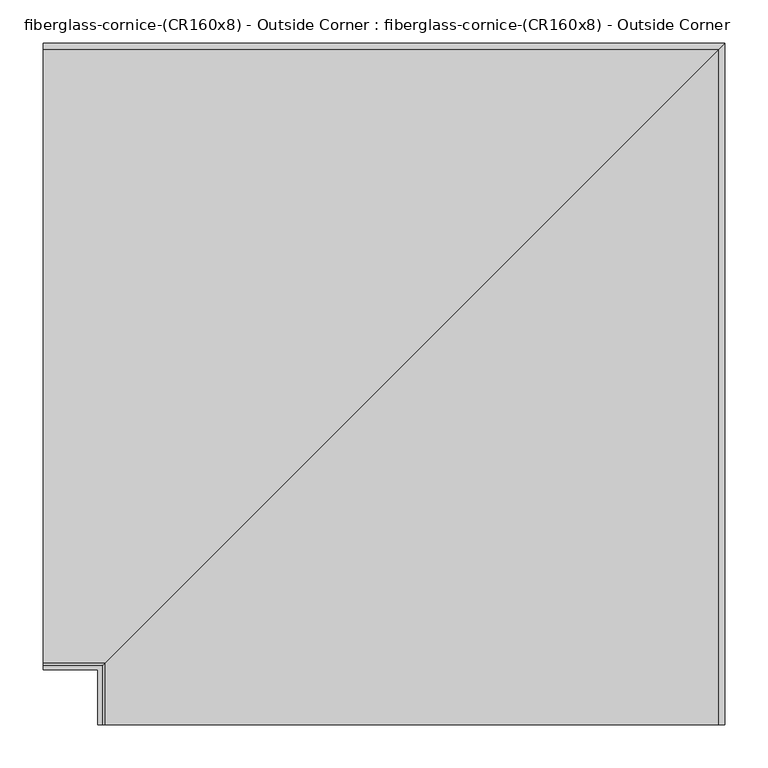
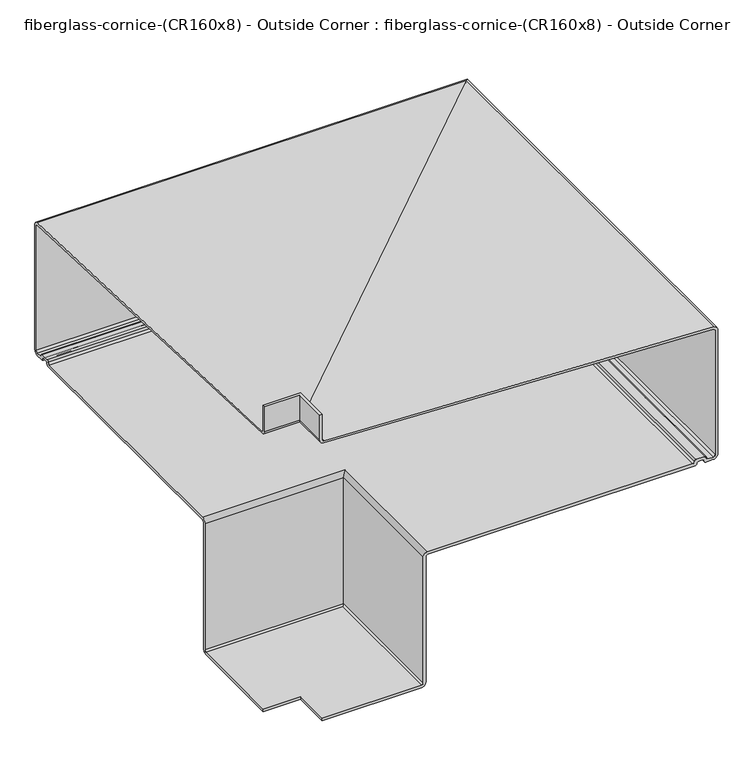
"""IFC4 building model written with IfcOpenShell, lengths in millimetres: furniture geometry, fiberglass-cornice-(CR160x8) - Outside Corner : fiberglass-cornice-(CR160x8) - Outside Corner."""

import ifcopenshell
import ifcopenshell.guid

model = None  # the IFC model being written
_history = None  # IfcOwnerHistory: only IFC2X3 demands one
_inside = {}  # id of a spatial element -> (the spatial element, [elements in it])
_under = {}  # id of a project, library or spatial element -> (it, [spatial elements below it])
_declared = {}  # id of a project -> (the project, [libraries it declares])
_typed = {}  # id of a type object -> (the type object, [elements of that type])
_made_of = {}  # id of a material, layer set ... -> (it, [elements and type objects made of it])


def new_model(schema):
    """Start an empty IFC model of exactly this schema.

    Asked for "IFC4X3", IfcOpenShell would pick the latest addendum, in which some entities
    have other attributes; the version numbers below select the first issue.
    IFC2X3 requires an IfcOwnerHistory on every rooted entity: one is made here for all.
    """
    global model, _history
    if schema == "IFC4X3":
        model = ifcopenshell.file(schema_version=(4, 3, 0, 0))
    else:
        model = ifcopenshell.file(schema=schema)
    _inside.clear()
    _under.clear()
    _declared.clear()
    _typed.clear()
    _made_of.clear()
    _history = None
    if model.schema == "IFC2X3":
        org = make("IfcOrganization", Name="unknown")
        user = make(
            "IfcPersonAndOrganization",
            ThePerson=make("IfcPerson", FamilyName="unknown"),
            TheOrganization=org,
        )
        app = make(
            "IfcApplication",
            ApplicationDeveloper=org,
            Version="unknown",
            ApplicationFullName="unknown",
            ApplicationIdentifier="unknown",
        )
        _history = make(
            "IfcOwnerHistory",
            OwningUser=user,
            OwningApplication=app,
            ChangeAction="ADDED",
            CreationDate=0,
        )
    return model


def make(cls, **values):
    """One entity of the class cls with the attributes given. An attribute that is None is left unset."""
    return model.create_entity(
        cls, **{name: value for name, value in values.items() if value is not None}
    )


def rooted(cls, **values):
    """An entity with a GlobalId (a new one), such as an element, a storey or a relation."""
    return make(cls, GlobalId=ifcopenshell.guid.new(), OwnerHistory=_history, **values)


def si_unit(unit_type, name, prefix=None):
    """IfcSIUnit, for example si_unit("LENGTHUNIT", "METRE", prefix="MILLI")."""
    return make("IfcSIUnit", UnitType=unit_type, Prefix=prefix, Name=name)


def assignment(units):
    """IfcUnitAssignment: the units of a project."""
    return None if units is None else make("IfcUnitAssignment", Units=units)


def point(xyz):
    """IfcCartesianPoint."""
    return None if xyz is None else make("IfcCartesianPoint", Coordinates=xyz)


def direction(xyz):
    """IfcDirection."""
    return None if xyz is None else make("IfcDirection", DirectionRatios=xyz)


def frame(location, z_axis=None, x_axis=None):
    """IfcAxis2Placement3D, a coordinate frame: its origin and axes. An axis left out is left unset."""
    return make(
        "IfcAxis2Placement3D",
        Location=point(location),
        Axis=direction(z_axis),
        RefDirection=direction(x_axis),
    )


def origin():
    """The frame at (0, 0, 0) with its axes left unset."""
    return frame((0.0, 0.0, 0.0))


def place(relative_to, where):
    """IfcLocalPlacement: puts the frame where relative to a parent placement (None: the world)."""
    return make(
        "IfcLocalPlacement", PlacementRelTo=relative_to, RelativePlacement=where
    )


def context(
    kind, dimensions, precision=None, world=None, true_north=None, identifier=None
):
    """IfcGeometricRepresentationContext, for example the 3D "Model" context."""
    return make(
        "IfcGeometricRepresentationContext",
        ContextIdentifier=identifier,
        ContextType=kind,
        CoordinateSpaceDimension=dimensions,
        Precision=precision,
        WorldCoordinateSystem=world,
        TrueNorth=true_north,
    )


def project(units=None, contexts=None):
    """IfcProject with its units and contexts."""
    return rooted(
        "IfcProject",
        Name="project",
        RepresentationContexts=contexts,
        UnitsInContext=assignment(units),
    )


def spatial(cls, under=None, at=None, **own):
    """A site, building, storey or space (cls), placed at a placement, below another one or the project."""
    s = rooted(cls, ObjectPlacement=at, **own)
    if under is not None:
        _under.setdefault(under.id(), (under, []))[1].append(s)
    return s


def polyline(points):
    """IfcPolyline through the points."""
    return make("IfcPolyline", Points=[point(p) for p in points])


def circle_curve(where, radius):
    """IfcCircle in the frame where."""
    return make("IfcCircle", Position=where, Radius=radius)


def ellipse_curve(where, semi_axis1, semi_axis2):
    """IfcEllipse in the frame where."""
    return make(
        "IfcEllipse", Position=where, SemiAxis1=semi_axis1, SemiAxis2=semi_axis2
    )


def shape(context_of_items, identifier, shape_type, items):
    """IfcShapeRepresentation: the items that make up one representation, for example the "Body"."""
    return make(
        "IfcShapeRepresentation",
        ContextOfItems=context_of_items,
        RepresentationIdentifier=identifier,
        RepresentationType=shape_type,
        Items=items,
    )


def source(mapping_origin, context_of_items, identifier, shape_type, items):
    """IfcRepresentationMap: a shape defined once, which mapped items show again and again."""
    return make(
        "IfcRepresentationMap",
        MappingOrigin=mapping_origin,
        MappedRepresentation=shape(context_of_items, identifier, shape_type, items),
    )


def transform(
    local_origin,
    x_axis=None,
    y_axis=None,
    z_axis=None,
    scale=None,
    scale2=None,
    scale3=None,
    uniform=True,
):
    """IfcCartesianTransformationOperator3D, or its non-uniform kind. x_axis, y_axis, z_axis: its Axis1, 2, 3."""
    if uniform:
        return make(
            "IfcCartesianTransformationOperator3D",
            Axis1=direction(x_axis),
            Axis2=direction(y_axis),
            LocalOrigin=point(local_origin),
            Scale=scale,
            Axis3=direction(z_axis),
        )
    return make(
        "IfcCartesianTransformationOperator3DnonUniform",
        Axis1=direction(x_axis),
        Axis2=direction(y_axis),
        LocalOrigin=point(local_origin),
        Scale=scale,
        Axis3=direction(z_axis),
        Scale2=scale2,
        Scale3=scale3,
    )


def mapped(mapping_source, mapping_target):
    """IfcMappedItem: shows the shape of a source again, moved by a transform."""
    return make(
        "IfcMappedItem", MappingSource=mapping_source, MappingTarget=mapping_target
    )


def made_of(thing, what):
    """Note that an element or type object is made of a material, layer set ...; save() writes the relation."""
    if what is not None:
        _made_of.setdefault(what.id(), (what, []))[1].append(thing)
    return thing


def element(
    cls,
    number,
    at=None,
    inside=None,
    cuts=None,
    type_object=None,
    material=None,
    context=None,
    identifier="Body",
    shape_type=None,
    held_by="IfcProductDefinitionShape",
    body=None,
    shapes=None,
    **own,
):
    """One element of the class cls, such as IfcWall. Its Tag is "e" and its number.

    at: its placement. inside: the storey or other place that contains it. cuts: it is an
    opening in that element (IfcRelVoidsElement). A single representation is given by context,
    identifier, shape_type and body (its items); several are given by shapes. held_by: the class
    of the entity that holds the representations. save() writes the other relations.
    """
    e = rooted(cls, Tag="e%d" % number, ObjectPlacement=at, **own)
    if body is not None:
        shapes = [shape(context, identifier, shape_type, body)]
    if shapes is not None:
        e.Representation = make(held_by, Representations=shapes)
    if inside is not None:
        _inside.setdefault(inside.id(), (inside, []))[1].append(e)
    if cuts is not None:
        rooted(
            "IfcRelVoidsElement", RelatingBuildingElement=cuts, RelatedOpeningElement=e
        )
    if type_object is not None:
        _typed.setdefault(type_object.id(), (type_object, []))[1].append(e)
    return made_of(e, material)


def aggregate(whole, parts):
    """IfcRelAggregates: a whole, such as a stair, and the parts it consists of."""
    return rooted("IfcRelAggregates", RelatingObject=whole, RelatedObjects=parts)


def save(model, path):
    """Write the relations noted so far, then the file.

    IfcRelAggregates (storeys below a building ...), IfcRelContainedInSpatialStructure (elements
    in a storey), IfcRelDefinesByType, IfcRelAssociatesMaterial and IfcRelDeclares: one each for
    every whole, place, type object, material and project.
    """
    for whole, parts in _under.values():
        aggregate(whole, parts)
    for where, things in _inside.values():
        rooted(
            "IfcRelContainedInSpatialStructure",
            RelatedElements=things,
            RelatingStructure=where,
        )
    for kind, things in _typed.values():
        rooted("IfcRelDefinesByType", RelatedObjects=things, RelatingType=kind)
    for what, things in _made_of.values():
        rooted("IfcRelAssociatesMaterial", RelatedObjects=things, RelatingMaterial=what)
    for by, libraries in _declared.values():
        rooted("IfcRelDeclares", RelatingContext=by, RelatedDefinitions=libraries)
    model.write(path)


def plane_surface(at):
    """IfcPlane: the flat surface through the origin of the frame at, square to its z axis."""
    return make("IfcPlane", Position=at)


def cylinder_surface(at, radius):
    """IfcCylindricalSurface: all points at the distance radius from the z axis of the frame at."""
    return make("IfcCylindricalSurface", Position=at, Radius=radius)


def revolved_surface(curve, axis_point, axis_direction):
    """IfcSurfaceOfRevolution: the curve turned about the line through axis_point along axis_direction."""
    return make(
        "IfcSurfaceOfRevolution",
        SweptCurve=make("IfcArbitraryOpenProfileDef", ProfileType="CURVE", Curve=curve),
        AxisPosition=make("IfcAxis1Placement", Location=point(axis_point), Axis=direction(axis_direction)),
    )


def advanced_brep(points, edges, surfaces, faces):
    """IfcAdvancedBrep: a solid bounded by faces that lie on surfaces and meet in shared edges.

    An edge is (start, end): straight between two places in points (the first is 0);
    or (start, end, curve); or (start, end, curve, False) where it runs against its curve.
    A face is (place in surfaces, loops), or (place, loops, False) where it looks against
    its surface's normal. A loop lists edges by number (the first is 1), with a minus sign
    where the edge is run from its end to its start. The first loop is the outer one.
    """
    corners = [point(p) for p in points]
    vertices = [make("IfcVertexPoint", VertexGeometry=c) for c in corners]
    made = []
    for start, end, *more in edges:
        made.append(
            make(
                "IfcEdgeCurve",
                EdgeStart=vertices[start],
                EdgeEnd=vertices[end],
                EdgeGeometry=more[0] if more else make("IfcPolyline", Points=[corners[start], corners[end]]),
                SameSense=more[1] if len(more) > 1 else True,
            )
        )
    hull = []
    for where, loops, *sense in faces:
        bounds = []
        for j, loop in enumerate(loops):
            ring = [make("IfcOrientedEdge", EdgeElement=made[abs(k) - 1], Orientation=k > 0) for k in loop]
            bounds.append(
                make(
                    "IfcFaceOuterBound" if j == 0 else "IfcFaceBound",
                    Bound=make("IfcEdgeLoop", EdgeList=ring),
                    Orientation=True,
                )
            )
        hull.append(make("IfcAdvancedFace", Bounds=bounds, FaceSurface=surfaces[where], SameSense=sense[0] if sense else True))
    return make("IfcAdvancedBrep", Outer=make("IfcClosedShell", CfsFaces=hull))


def fiberglass_cornice_cr160x8_outside_corner_fiberglass_cornice_fb86f3b4(model_context):
    return source(origin(), model_context, "Body", "AdvancedBrep", [
        advanced_brep(
        [(-196.9488213, 106.3619161, 330.1999904), (-196.9488213, 106.3619161, 281.8131149), (-196.9488213, 109.4047391, 278.7702919), (-196.9488213, 821.0673586, 249.1170882), (-196.9488213, 828.6744161, 241.1864628), (-196.9488213, 828.6744161, 1.0462879), (-196.9488213, 820.7369161, -6.8912121), (-196.9488213, 806.6449307, -6.8912121), (-196.9488213, 803.4699307, -3.7162111), (-196.9488213, 800.2658425, -0.5121219), (-196.9488213, 793.8008809, -0.5121219), (-196.9488213, 790.5967925, -3.7162112), (-196.9488213, 787.4217925, -6.8912121), (-196.9488213, 298.572677, -6.8912121), (-196.9488213, 295.3976771, -10.0662121), (-196.9488213, 295.3976771, -252.8939472), (-196.9488213, 287.4601771, -260.8314472), (-196.9488213, 106.392854, -260.8314472), (-196.9488213, 106.392854, -256.0689472), (-196.9488213, 287.4601771, -256.0689472), (-196.9488213, 290.6351771, -252.8939472), (-196.9488213, 290.6351771, -10.0662097), (-196.9488213, 298.572677, -2.1287097), (-196.9488213, 782.6592925, -2.1287097), (-196.9488213, 785.8342925, 1.0462903), (-196.9488213, 789.0383803, 4.2503781), (-196.9488213, 805.0574307, 4.2503781), (-196.9488213, 808.2324307, 1.0462886), (-196.9488213, 811.4074307, -2.1287108), (-196.9488213, 820.7369174, -2.1287108), (-196.9488213, 823.9119161, 1.0462879), (-196.9488213, 823.9119161, 241.1864694), (-196.9488213, 820.7338132, 244.3645723), (-196.9488213, 108.2783094, 275.2022319), (-196.9488213, 101.6, 282.1758557), (-196.9488213, 101.6, 330.1999904), (-128.5876865, 38.0007813, 330.1999904), (-133.3496026, 38.0007813, 330.1999904), (-133.3496026, 38.0007813, 282.1758557), (-126.6712932, 38.0007813, 275.2022319), (585.7842106, 38.0007813, 244.3645723), (588.9623135, 38.0007813, 241.1864694), (588.9623135, 38.0007813, 1.0462879), (585.7873148, 38.0007813, -2.1287108), (576.4578281, 38.0007813, -2.1287108), (573.2828281, 38.0007813, 1.0462886), (570.1078281, 38.0007813, 4.2503781), (554.0887777, 38.0007813, 4.2503781), (550.8846899, 38.0007813, 1.0462903), (547.7096899, 38.0007813, -2.1287097), (63.6230744, 38.0007813, -2.1287097), (55.6855745, 38.0007813, -10.0662097), (55.6855745, 38.0007813, -252.8939472), (52.5105745, 38.0007813, -256.0689472), (-128.5567486, 38.0007813, -256.0689472), (-128.5567486, 38.0007813, -260.8314472), (52.5105745, 38.0007813, -260.8314472), (60.4480745, 38.0007813, -252.8939472), (60.4480745, 38.0007813, -10.0662121), (63.6230745, 38.0007813, -6.8912121), (552.4721899, 38.0007813, -6.8912121), (555.6471899, 38.0007813, -3.7162112), (558.8512783, 38.0007813, -0.5121219), (565.3162399, 38.0007813, -0.5121219), (568.5203281, 38.0007813, -3.7162111), (571.6953281, 38.0007813, -6.8912121), (585.7873135, 38.0007813, -6.8912121), (593.7248135, 38.0007813, 1.0462879), (593.7248135, 38.0007813, 241.1864628), (586.117756, 38.0007813, 249.1170882), (-125.5448635, 38.0007813, 278.7702919), (-128.5876865, 38.0007813, 281.8131149), (-128.5876865, 106.3619161, 330.1999904), (-128.5876865, 106.3619161, 281.8131149), (-125.5448635, 109.4047391, 278.7702919), (586.117756, 821.0673586, 249.1170882), (593.7248135, 828.6744161, 241.1864628), (593.7248135, 828.6744161, 1.0462879), (585.7873135, 820.7369161, -6.8912121), (571.6953281, 806.6449307, -6.8912121), (568.5203281, 803.4699307, -3.7162111), (565.3162399, 800.2658425, -0.5121219), (558.8512783, 793.8008809, -0.5121219), (555.6471899, 790.5967925, -3.7162112), (552.4721899, 787.4217925, -6.8912121), (63.6230745, 298.572677, -6.8912121), (60.4480745, 295.3976771, -10.0662121), (60.4480745, 295.3976771, -252.8939472), (52.5105745, 287.4601771, -260.8314472), (-128.5567486, 106.392854, -260.8314472), (-128.5567486, 106.392854, -256.0689472), (52.5105745, 287.4601771, -256.0689472), (55.6855745, 290.6351771, -252.8939472), (55.6855745, 290.6351771, -10.0662097), (63.6230744, 298.572677, -2.1287097), (547.7096899, 782.6592925, -2.1287097), (550.8846899, 785.8342925, 1.0462903), (554.0887777, 789.0383803, 4.2503781), (570.1078281, 805.0574307, 4.2503781), (573.2828281, 808.2324307, 1.0462886), (576.4578281, 811.4074307, -2.1287108), (585.7873148, 820.7369174, -2.1287108), (588.9623135, 823.9119161, 1.0462879), (588.9623135, 823.9119161, 241.1864694), (585.7842106, 820.7338132, 244.3645723), (-126.6712932, 108.2783094, 275.2022319), (-133.3496026, 101.6, 282.1758557), (-133.3496026, 101.6, 330.1999904)],
        [
            (0, 1),
            (1, 2, circle_curve(frame((-196.9488213, 109.4047391, 281.8131149), z_axis=(1.0, 0.0, 0.0), x_axis=(0.0, 1.0, 0.0)), 3.042823)),
            (2, 3),
            (3, 4, circle_curve(frame((-196.9488213, 820.7369092, 241.1864628), z_axis=(-1.0, 0.0, 0.0), x_axis=(0.0, 1.0, 0.0)), 7.9375069)),
            (4, 5),
            (5, 6, circle_curve(frame((-196.9488213, 820.7369161, 1.0462879), z_axis=(-1.0, 0.0, 0.0), x_axis=(0.0, 1.0, 0.0)), 7.9375)),
            (6, 7),
            (7, 8, circle_curve(frame((-196.9488213, 806.6449307, -3.7162121), z_axis=(-1.0, 0.0, 0.0), x_axis=(0.0, 1.0, 0.0)), 3.175)),
            (8, 9, circle_curve(frame((-196.9488213, 800.2658425, -3.7162102), z_axis=(1.0, 0.0, 0.0), x_axis=(0.0, 1.0, 0.0)), 3.2040882)),
            (9, 10),
            (10, 11, circle_curve(frame((-196.9488213, 793.8008809, -3.7162103), z_axis=(1.0, 0.0, 0.0), x_axis=(0.0, 1.0, 0.0)), 3.2040884)),
            (11, 12, circle_curve(frame((-196.9488213, 787.4217925, -3.7162121), z_axis=(-1.0, 0.0, 0.0), x_axis=(0.0, 1.0, 0.0)), 3.175)),
            (12, 13),
            (13, 14, circle_curve(frame((-196.9488213, 298.572677, -10.0662121), z_axis=(1.0, 0.0, 0.0), x_axis=(0.0, 1.0, 0.0)), 3.175)),
            (14, 15),
            (15, 16, circle_curve(frame((-196.9488213, 287.4601771, -252.8939472), z_axis=(-1.0, 0.0, 0.0), x_axis=(0.0, 1.0, 0.0)), 7.9375)),
            (16, 17),
            (17, 18),
            (18, 19),
            (19, 20, circle_curve(frame((-196.9488213, 287.4601771, -252.8939472), z_axis=(1.0, 0.0, 0.0), x_axis=(0.0, 1.0, 0.0)), 3.175)),
            (20, 21),
            (21, 22, circle_curve(frame((-196.9488213, 298.572677, -10.0662097), z_axis=(-1.0, 0.0, 0.0), x_axis=(0.0, 1.0, 0.0)), 7.9374999)),
            (22, 23),
            (23, 24, circle_curve(frame((-196.9488213, 782.6592925, 1.0462903), z_axis=(1.0, 0.0, 0.0), x_axis=(0.0, 1.0, 0.0)), 3.175)),
            (24, 25, circle_curve(frame((-196.9488213, 789.0383803, 1.0462903), z_axis=(-1.0, 0.0, 0.0), x_axis=(0.0, 1.0, 0.0)), 3.2040878)),
            (25, 26),
            (26, 27, circle_curve(frame((-196.9488213, 805.0574307, 1.075246), z_axis=(-1.0, 0.0, 0.0), x_axis=(0.0, 1.0, 0.0)), 3.175132)),
            (27, 28, circle_curve(frame((-196.9488213, 811.4074307, 1.0462892), z_axis=(1.0, 0.0, 0.0), x_axis=(0.0, 1.0, 0.0)), 3.175)),
            (28, 29),
            (29, 30, circle_curve(frame((-196.9488213, 820.7369174, 1.0462879), z_axis=(1.0, 0.0, 0.0), x_axis=(0.0, 1.0, 0.0)), 3.1749987)),
            (30, 31),
            (31, 32, circle_curve(frame((-196.9488213, 820.7338132, 241.1864694), z_axis=(1.0, 0.0, 0.0), x_axis=(0.0, 1.0, 0.0)), 3.1781029)),
            (32, 33),
            (33, 34, circle_curve(frame((-196.9488213, 108.5801532, 282.1758557), z_axis=(-1.0, 0.0, 0.0), x_axis=(0.0, 1.0, 0.0)), 6.9801532)),
            (34, 35),
            (35, 0),
            (36, 37),
            (37, 38),
            (38, 39, circle_curve(frame((-126.3694494, 38.0007813, 282.1758557), z_axis=(0.0, -1.0, 0.0), x_axis=(1.0, 0.0, 0.0)), 6.9801532)),
            (39, 40),
            (40, 41, circle_curve(frame((585.7842106, 38.0007813, 241.1864694), z_axis=(0.0, 1.0, 0.0), x_axis=(1.0, 0.0, 0.0)), 3.1781029)),
            (41, 42),
            (42, 43, circle_curve(frame((585.7873148, 38.0007813, 1.0462879), z_axis=(0.0, 1.0, 0.0), x_axis=(1.0, 0.0, 0.0)), 3.1749987)),
            (43, 44),
            (44, 45, circle_curve(frame((576.4578281, 38.0007813, 1.0462892), z_axis=(0.0, 1.0, 0.0), x_axis=(1.0, 0.0, 0.0)), 3.175)),
            (45, 46, circle_curve(frame((570.1078281, 38.0007813, 1.075246), z_axis=(0.0, -1.0, 0.0), x_axis=(1.0, 0.0, 0.0)), 3.175132)),
            (46, 47),
            (47, 48, circle_curve(frame((554.0887777, 38.0007813, 1.0462903), z_axis=(0.0, -1.0, 0.0), x_axis=(1.0, 0.0, 0.0)), 3.2040878)),
            (48, 49, circle_curve(frame((547.7096899, 38.0007813, 1.0462903), z_axis=(0.0, 1.0, 0.0), x_axis=(1.0, 0.0, 0.0)), 3.175)),
            (49, 50),
            (50, 51, circle_curve(frame((63.6230744, 38.0007813, -10.0662097), z_axis=(0.0, -1.0, 0.0), x_axis=(1.0, 0.0, 0.0)), 7.9374999)),
            (51, 52),
            (52, 53, circle_curve(frame((52.5105745, 38.0007813, -252.8939472), z_axis=(0.0, 1.0, 0.0), x_axis=(1.0, 0.0, 0.0)), 3.175)),
            (53, 54),
            (54, 55),
            (55, 56),
            (56, 57, circle_curve(frame((52.5105745, 38.0007813, -252.8939472), z_axis=(0.0, -1.0, 0.0), x_axis=(1.0, 0.0, 0.0)), 7.9375)),
            (57, 58),
            (58, 59, circle_curve(frame((63.6230745, 38.0007813, -10.0662121), z_axis=(0.0, 1.0, 0.0), x_axis=(1.0, 0.0, 0.0)), 3.175)),
            (59, 60),
            (60, 61, circle_curve(frame((552.4721899, 38.0007813, -3.7162121), z_axis=(0.0, -1.0, 0.0), x_axis=(1.0, 0.0, 0.0)), 3.175)),
            (61, 62, circle_curve(frame((558.8512783, 38.0007813, -3.7162103), z_axis=(0.0, 1.0, 0.0), x_axis=(1.0, 0.0, 0.0)), 3.2040884)),
            (62, 63),
            (63, 64, circle_curve(frame((565.3162399, 38.0007813, -3.7162102), z_axis=(0.0, 1.0, 0.0), x_axis=(1.0, 0.0, 0.0)), 3.2040882)),
            (64, 65, circle_curve(frame((571.6953281, 38.0007813, -3.7162121), z_axis=(0.0, -1.0, 0.0), x_axis=(1.0, 0.0, 0.0)), 3.175)),
            (65, 66),
            (66, 67, circle_curve(frame((585.7873135, 38.0007813, 1.0462879), z_axis=(0.0, -1.0, 0.0), x_axis=(1.0, 0.0, 0.0)), 7.9375)),
            (67, 68),
            (68, 69, circle_curve(frame((585.7873066, 38.0007813, 241.1864628), z_axis=(0.0, -1.0, 0.0), x_axis=(1.0, 0.0, 0.0)), 7.9375069)),
            (69, 70),
            (70, 71, circle_curve(frame((-125.5448635, 38.0007813, 281.8131149), z_axis=(0.0, 1.0, 0.0), x_axis=(1.0, 0.0, 0.0)), 3.042823)),
            (71, 36),
            (0, 72),
            (72, 73),
            (73, 1),
            (73, 74, ellipse_curve(frame((-125.5448635, 109.4047391, 281.8131149), z_axis=(0.7071067811865563, -0.7071067811865387, 0.0), x_axis=(0.7071067811865387, 0.7071067811865565, 0.0)), 4.3032016, 3.042823)),
            (74, 2),
            (74, 75),
            (75, 3),
            (75, 76, ellipse_curve(frame((585.7873066, 820.7369092, 241.1864628), z_axis=(-0.7071067811865563, 0.7071067811865387, 0.0), x_axis=(-0.7071067811865387, -0.7071067811865565, 0.0)), 11.22533, 7.9375069)),
            (76, 4),
            (76, 77),
            (77, 5),
            (77, 78, ellipse_curve(frame((585.7873135, 820.7369161, 1.0462879), z_axis=(-0.7071067811865563, 0.7071067811865387, 0.0), x_axis=(-0.7071067811865387, -0.7071067811865565, 0.0)), 11.2253202, 7.9375)),
            (78, 6),
            (78, 66),
            (65, 79),
            (79, 7),
            (79, 80, ellipse_curve(frame((571.6953281, 806.6449307, -3.7162121), z_axis=(-0.7071067811865563, 0.7071067811865387, 0.0), x_axis=(-0.7071067811865387, -0.7071067811865565, 0.0)), 4.4901281, 3.175)),
            (80, 8),
            (80, 81, ellipse_curve(frame((565.3162399, 800.2658425, -3.7162102), z_axis=(0.7071067811865563, -0.7071067811865387, 0.0), x_axis=(0.7071067811865387, 0.7071067811865565, 0.0)), 4.531265, 3.2040882)),
            (81, 9),
            (81, 63),
            (62, 82),
            (82, 10),
            (82, 83, ellipse_curve(frame((558.8512783, 793.8008809, -3.7162103), z_axis=(0.7071067811865563, -0.7071067811865387, 0.0), x_axis=(0.7071067811865387, 0.7071067811865565, 0.0)), 4.5312653, 3.2040884)),
            (83, 11),
            (83, 84, ellipse_curve(frame((552.4721899, 787.4217925, -3.7162121), z_axis=(-0.7071067811865563, 0.7071067811865387, 0.0), x_axis=(-0.7071067811865387, -0.7071067811865565, 0.0)), 4.490128, 3.175)),
            (84, 12),
            (84, 60),
            (59, 85),
            (85, 13),
            (85, 86, ellipse_curve(frame((63.6230745, 298.572677, -10.0662121), z_axis=(0.7071067811865563, -0.7071067811865387, 0.0), x_axis=(0.7071067811865387, 0.7071067811865565, 0.0)), 4.490128, 3.175)),
            (86, 14),
            (86, 87),
            (87, 15),
            (87, 88, ellipse_curve(frame((52.5105745, 287.4601771, -252.8939472), z_axis=(-0.7071067811865563, 0.7071067811865387, 0.0), x_axis=(-0.7071067811865387, -0.7071067811865565, 0.0)), 11.2253202, 7.9375)),
            (88, 16),
            (88, 56),
            (55, 89),
            (89, 17),
            (89, 90),
            (90, 18),
            (90, 54),
            (53, 91),
            (91, 19),
            (91, 92, ellipse_curve(frame((52.5105745, 287.4601771, -252.8939472), z_axis=(0.7071067811865563, -0.7071067811865387, 0.0), x_axis=(0.7071067811865387, 0.7071067811865565, 0.0)), 4.4901281, 3.175)),
            (92, 20),
            (92, 93),
            (93, 21),
            (93, 94, ellipse_curve(frame((63.6230744, 298.572677, -10.0662097), z_axis=(-0.7071067811865563, 0.7071067811865387, 0.0), x_axis=(-0.7071067811865387, -0.7071067811865565, 0.0)), 11.2253201, 7.9374999)),
            (94, 22),
            (94, 50),
            (49, 95),
            (95, 23),
            (95, 96, ellipse_curve(frame((547.7096899, 782.6592925, 1.0462903), z_axis=(0.7071067811865563, -0.7071067811865387, 0.0), x_axis=(0.7071067811865387, 0.7071067811865565, 0.0)), 4.4901281, 3.175)),
            (96, 24),
            (96, 97, ellipse_curve(frame((554.0887777, 789.0383803, 1.0462903), z_axis=(-0.7071067811865563, 0.7071067811865387, 0.0), x_axis=(-0.7071067811865387, -0.7071067811865565, 0.0)), 4.5312645, 3.2040878)),
            (97, 25),
            (97, 47),
            (46, 98),
            (98, 26),
            (98, 99, ellipse_curve(frame((570.1078281, 805.0574307, 1.075246), z_axis=(-0.7071067811865563, 0.7071067811865387, 0.0), x_axis=(-0.7071067811865387, -0.7071067811865565, 0.0)), 4.4903148, 3.175132)),
            (99, 27),
            (99, 100, ellipse_curve(frame((576.4578281, 811.4074307, 1.0462892), z_axis=(0.7071067811865563, -0.7071067811865387, 0.0), x_axis=(0.7071067811865387, 0.7071067811865565, 0.0)), 4.4901281, 3.175)),
            (100, 28),
            (100, 44),
            (43, 101),
            (101, 29),
            (101, 102, ellipse_curve(frame((585.7873148, 820.7369174, 1.0462879), z_axis=(0.7071067811865563, -0.7071067811865387, 0.0), x_axis=(0.7071067811865387, 0.7071067811865565, 0.0)), 4.4901262, 3.1749987)),
            (102, 30),
            (102, 103),
            (103, 31),
            (103, 104, ellipse_curve(frame((585.7842106, 820.7338132, 241.1864694), z_axis=(0.7071067811865563, -0.7071067811865387, 0.0), x_axis=(0.7071067811865387, 0.7071067811865565, 0.0)), 4.4945162, 3.1781029)),
            (104, 32),
            (104, 105),
            (105, 33),
            (105, 106, ellipse_curve(frame((-126.3694494, 108.5801532, 282.1758557), z_axis=(-0.7071067811865563, 0.7071067811865387, 0.0), x_axis=(-0.7071067811865387, -0.7071067811865565, 0.0)), 9.8714273, 6.9801532)),
            (106, 34),
            (106, 107),
            (107, 35),
            (107, 37),
            (36, 72),
            (71, 73),
            (70, 74),
            (69, 75),
            (68, 76),
            (67, 77),
            (64, 80),
            (61, 83),
            (58, 86),
            (57, 87),
            (52, 92),
            (51, 93),
            (48, 96),
            (45, 99),
            (42, 102),
            (41, 103),
            (40, 104),
            (39, 105),
            (38, 106),
        ],
        [
            plane_surface(frame((-196.9488213, 101.6, 330.1999904), z_axis=(-1.0, 0.0, 0.0), x_axis=(0.0, 0.0, 1.0))),
            plane_surface(frame((-133.3496026, 38.0007813, 330.1999904), z_axis=(0.0, -1.0, 0.0), x_axis=(0.0, 0.0, 1.0))),
            plane_surface(frame((-196.9488213, 106.3619161, 330.1999904), z_axis=(0.0, 1.0, 0.0), x_axis=(1.0, 0.0, 0.0))),
            revolved_surface(polyline([(-122.50204046782724, 112.4475621, 281.8131149), (-196.9488213, 112.4475621, 281.8131149)]), (-196.9488213, 109.4047391, 281.8131149), (1.0, 0.0, 0.0)),
            plane_surface(frame((-196.9488213, 109.4047391, 278.7702919), z_axis=(0.0, 0.041631377917377685, 0.9991330383751208), x_axis=(1.0, 0.0, 0.0))),
            cylinder_surface(frame((-196.9488213, 820.7369092, 241.1864628), z_axis=(-1.0, 0.0, 0.0), x_axis=(0.0, 1.0, 0.0)), 7.9375069),
            plane_surface(frame((-196.9488213, 828.6744161, 241.1864628), z_axis=(0.0, 1.0, 0.0), x_axis=(1.0, 0.0, 0.0))),
            cylinder_surface(frame((-196.9488213, 820.7369161, 1.0462879), z_axis=(-1.0, 0.0, 0.0), x_axis=(0.0, 1.0, 0.0)), 7.9375),
            plane_surface(frame((-196.9488213, 820.7369161, -6.8912121), z_axis=(0.0, 0.0, -1.0), x_axis=(1.0, 0.0, 0.0))),
            cylinder_surface(frame((-196.9488213, 806.6449307, -3.7162121), z_axis=(-1.0, 0.0, 0.0), x_axis=(0.0, 1.0, 0.0)), 3.175),
            revolved_surface(polyline([(568.5203281088533, 803.4699307, -3.7162102), (-196.9488213, 803.4699307, -3.7162102)]), (-196.9488213, 800.2658425, -3.7162102), (1.0, 0.0, 0.0)),
            plane_surface(frame((-196.9488213, 800.2658425, -0.5121219), z_axis=(0.0, 0.0, -1.0), x_axis=(1.0, 0.0, 0.0))),
            revolved_surface(polyline([(562.0553667209853, 797.0049693000001, -3.7162103), (-196.9488213, 797.0049693000001, -3.7162103)]), (-196.9488213, 793.8008809, -3.7162103), (1.0, 0.0, 0.0)),
            cylinder_surface(frame((-196.9488213, 787.4217925, -3.7162121), z_axis=(-1.0, 0.0, 0.0), x_axis=(0.0, 1.0, 0.0)), 3.175),
            plane_surface(frame((-196.9488213, 787.4217925, -6.8912121), z_axis=(0.0, 0.0, -1.0), x_axis=(1.0, 0.0, 0.0))),
            revolved_surface(polyline([(66.79807445719555, 301.747677, -10.0662121), (-196.9488213, 301.747677, -10.0662121)]), (-196.9488213, 298.572677, -10.0662121), (1.0, 0.0, 0.0)),
            plane_surface(frame((-196.9488213, 295.3976771, -10.0662121), z_axis=(0.0, 1.0, 0.0), x_axis=(1.0, 0.0, 0.0))),
            cylinder_surface(frame((-196.9488213, 287.4601771, -252.8939472), z_axis=(-1.0, 0.0, 0.0), x_axis=(0.0, 1.0, 0.0)), 7.9375),
            plane_surface(frame((-196.9488213, 287.4601771, -260.8314472), z_axis=(0.0, 0.0, -1.0), x_axis=(1.0, 0.0, 0.0))),
            plane_surface(frame((-196.9488213, 106.392854, -260.8314472), z_axis=(0.0, -1.0, 0.0), x_axis=(1.0, 0.0, 0.0))),
            plane_surface(frame((-196.9488213, 106.392854, -256.0689472), z_axis=(0.0, 0.0, 1.0), x_axis=(1.0, 0.0, 0.0))),
            revolved_surface(polyline([(55.685574527906226, 290.6351771, -252.8939472), (-196.9488213, 290.6351771, -252.8939472)]), (-196.9488213, 287.4601771, -252.8939472), (1.0, 0.0, 0.0)),
            plane_surface(frame((-196.9488213, 290.6351771, -252.8939472), z_axis=(0.0, -1.0, 0.0), x_axis=(1.0, 0.0, 0.0))),
            cylinder_surface(frame((-196.9488213, 298.572677, -10.0662097), z_axis=(-1.0, 0.0, 0.0), x_axis=(0.0, 1.0, 0.0)), 7.9374999),
            plane_surface(frame((-196.9488213, 298.572677, -2.1287097), z_axis=(0.0, 0.0, 1.0), x_axis=(1.0, 0.0, 0.0))),
            revolved_surface(polyline([(550.8846899279062, 785.8342925, 1.0462903), (-196.9488213, 785.8342925, 1.0462903)]), (-196.9488213, 782.6592925, 1.0462903), (1.0, 0.0, 0.0)),
            cylinder_surface(frame((-196.9488213, 789.0383803, 1.0462903), z_axis=(-1.0, 0.0, 0.0), x_axis=(0.0, 1.0, 0.0)), 3.2040878),
            plane_surface(frame((-196.9488213, 789.0383803, 4.2503781), z_axis=(0.0, 0.0, 1.0), x_axis=(1.0, 0.0, 0.0))),
            cylinder_surface(frame((-196.9488213, 805.0574307, 1.075246), z_axis=(-1.0, 0.0, 0.0), x_axis=(0.0, 1.0, 0.0)), 3.175132),
            revolved_surface(polyline([(579.6328281279062, 814.5824306999999, 1.0462892), (-196.9488213, 814.5824306999999, 1.0462892)]), (-196.9488213, 811.4074307, 1.0462892), (1.0, 0.0, 0.0)),
            plane_surface(frame((-196.9488213, 811.4074307, -2.1287108), z_axis=(0.0, 0.0, 1.0), x_axis=(1.0, 0.0, 0.0))),
            revolved_surface(polyline([(588.9623135, 823.9119161, 1.0462879), (-196.9488213, 823.9119161, 1.0462879)]), (-196.9488213, 820.7369174, 1.0462879), (1.0, 0.0, 0.0)),
            plane_surface(frame((-196.9488213, 823.9119161, 1.0462879), z_axis=(0.0, -1.0, 0.0), x_axis=(1.0, 0.0, 0.0))),
            revolved_surface(polyline([(588.9623135, 823.9119161, 241.1864694), (-196.9488213, 823.9119161, 241.1864694)]), (-196.9488213, 820.7338132, 241.1864694), (1.0, 0.0, 0.0)),
            plane_surface(frame((-196.9488213, 820.7338132, 244.3645723), z_axis=(0.0, -0.0432431403574651, -0.9990645778987586), x_axis=(1.0, 0.0, 0.0))),
            cylinder_surface(frame((-196.9488213, 108.5801532, 282.1758557), z_axis=(-1.0, 0.0, 0.0), x_axis=(0.0, 1.0, 0.0)), 6.9801532),
            plane_surface(frame((-196.9488213, 101.6, 282.1758557), z_axis=(0.0, -1.0, 0.0), x_axis=(1.0, 0.0, 0.0))),
            plane_surface(frame((-196.9488213, 101.6, 330.1999904), z_axis=(0.0, 0.0, 1.0), x_axis=(1.0, 0.0, 0.0))),
            plane_surface(frame((-128.5876865, 106.3619161, 330.1999904), z_axis=(1.0, 0.0, 0.0), x_axis=(0.0, -1.0, 0.0))),
            revolved_surface(polyline([(-122.5020405, 38.0007813, 281.8131149), (-122.5020405, 112.44756213217283, 281.8131149)]), (-125.5448635, 101.6, 281.8131149), (0.0, -1.0, 0.0)),
            plane_surface(frame((-125.5448635, 109.4047391, 278.7702919), z_axis=(0.04163137791737769, 0.0, 0.9991330383751208), x_axis=(0.0, -1.0, 0.0))),
            cylinder_surface(frame((585.7873066, 101.6, 241.1864628), z_axis=(0.0, 1.0, 0.0), x_axis=(1.0, 0.0, 0.0)), 7.9375069),
            plane_surface(frame((593.7248135, 828.6744161, 241.1864628), z_axis=(1.0, 0.0, 0.0), x_axis=(0.0, -1.0, 0.0))),
            cylinder_surface(frame((585.7873135, 101.6, 1.0462879), z_axis=(0.0, 1.0, 0.0), x_axis=(1.0, 0.0, 0.0)), 7.9375),
            cylinder_surface(frame((571.6953281, 101.6, -3.7162121), z_axis=(0.0, 1.0, 0.0), x_axis=(1.0, 0.0, 0.0)), 3.175),
            revolved_surface(polyline([(568.5203281, 38.0007813, -3.7162102), (568.5203281, 803.4699307088532, -3.7162102)]), (565.3162399, 101.6, -3.7162102), (0.0, -1.0, 0.0)),
            revolved_surface(polyline([(562.0553667, 38.0007813, -3.7162103), (562.0553667, 797.0049693209854, -3.7162103)]), (558.8512783, 101.6, -3.7162103), (0.0, -1.0, 0.0)),
            cylinder_surface(frame((552.4721899, 101.6, -3.7162121), z_axis=(0.0, 1.0, 0.0), x_axis=(1.0, 0.0, 0.0)), 3.175),
            revolved_surface(polyline([(66.7980745, 38.0007813, -10.0662121), (66.7980745, 301.7476769571956, -10.0662121)]), (63.6230745, 101.6, -10.0662121), (0.0, -1.0, 0.0)),
            plane_surface(frame((60.4480745, 295.3976771, -10.0662121), z_axis=(1.0, 0.0, 0.0), x_axis=(0.0, -1.0, 0.0))),
            cylinder_surface(frame((52.5105745, 101.6, -252.8939472), z_axis=(0.0, 1.0, 0.0), x_axis=(1.0, 0.0, 0.0)), 7.9375),
            plane_surface(frame((-128.5567486, 106.392854, -260.8314472), z_axis=(-1.0, 0.0, 0.0), x_axis=(0.0, -1.0, 0.0))),
            revolved_surface(polyline([(55.685574499999994, 38.0007813, -252.8939472), (55.685574499999994, 290.63517712790633, -252.8939472)]), (52.5105745, 101.6, -252.8939472), (0.0, -1.0, 0.0)),
            plane_surface(frame((55.6855745, 290.6351771, -252.8939472), z_axis=(-1.0, 0.0, 0.0), x_axis=(0.0, -1.0, 0.0))),
            cylinder_surface(frame((63.6230744, 101.6, -10.0662097), z_axis=(0.0, 1.0, 0.0), x_axis=(1.0, 0.0, 0.0)), 7.9374999),
            revolved_surface(polyline([(550.8846898999999, 38.0007813, 1.0462903), (550.8846898999999, 785.8342925279063, 1.0462903)]), (547.7096899, 101.6, 1.0462903), (0.0, -1.0, 0.0)),
            cylinder_surface(frame((554.0887777, 101.6, 1.0462903), z_axis=(0.0, 1.0, 0.0), x_axis=(1.0, 0.0, 0.0)), 3.2040878),
            cylinder_surface(frame((570.1078281, 101.6, 1.075246), z_axis=(0.0, 1.0, 0.0), x_axis=(1.0, 0.0, 0.0)), 3.175132),
            revolved_surface(polyline([(579.6328281, 38.0007813, 1.0462892), (579.6328281, 814.5824307279063, 1.0462892)]), (576.4578281, 101.6, 1.0462892), (0.0, -1.0, 0.0)),
            revolved_surface(polyline([(588.9623134999999, 38.0007813, 1.0462879), (588.9623134999999, 823.9119161, 1.0462879)]), (585.7873148, 101.6, 1.0462879), (0.0, -1.0, 0.0)),
            plane_surface(frame((588.9623135, 823.9119161, 1.0462879), z_axis=(-1.0, 0.0, 0.0), x_axis=(0.0, -1.0, 0.0))),
            revolved_surface(polyline([(588.9623135, 38.0007813, 241.1864694), (588.9623135, 823.9119161, 241.1864694)]), (585.7842106, 101.6, 241.1864694), (0.0, -1.0, 0.0)),
            plane_surface(frame((585.7842106, 820.7338132, 244.3645723), z_axis=(-0.043243140357465105, 0.0, -0.9990645778987586), x_axis=(0.0, -1.0, 0.0))),
            cylinder_surface(frame((-126.3694494, 101.6, 282.1758557), z_axis=(0.0, 1.0, 0.0), x_axis=(1.0, 0.0, 0.0)), 6.9801532),
            plane_surface(frame((-133.3496026, 101.6, 282.1758557), z_axis=(-1.0, 0.0, 0.0), x_axis=(0.0, -1.0, 0.0))),
        ],
        [
            (0, [[1, 2, 3, 4, 5, 6, 7, 8, 9, 10, 11, 12, 13, 14, 15, 16, 17, 18, 19, 20, 21, 22, 23, 24, 25, 26, 27, 28, 29, 30, 31, 32, 33, 34, 35, 36]]),
            (1, [[37, 38, 39, 40, 41, 42, 43, 44, 45, 46, 47, 48, 49, 50, 51, 52, 53, 54, 55, 56, 57, 58, 59, 60, 61, 62, 63, 64, 65, 66, 67, 68, 69, 70, 71, 72]]),
            (2, [[-1, 73, 74, 75]]),
            (3, [[-2, -75, 76, 77]]),
            (4, [[-3, -77, 78, 79]]),
            (5, [[-4, -79, 80, 81]]),
            (6, [[-5, -81, 82, 83]]),
            (7, [[-6, -83, 84, 85]]),
            (8, [[-7, -85, 86, -66, 87, 88]]),
            (9, [[-8, -88, 89, 90]]),
            (10, [[-9, -90, 91, 92]]),
            (11, [[-10, -92, 93, -63, 94, 95]]),
            (12, [[-11, -95, 96, 97]]),
            (13, [[-12, -97, 98, 99]]),
            (14, [[-13, -99, 100, -60, 101, 102]]),
            (15, [[-14, -102, 103, 104]]),
            (16, [[-15, -104, 105, 106]]),
            (17, [[-16, -106, 107, 108]]),
            (18, [[-17, -108, 109, -56, 110, 111]]),
            (19, [[-18, -111, 112, 113]]),
            (20, [[-19, -113, 114, -54, 115, 116]]),
            (21, [[-20, -116, 117, 118]]),
            (22, [[-21, -118, 119, 120]]),
            (23, [[-22, -120, 121, 122]]),
            (24, [[-23, -122, 123, -50, 124, 125]]),
            (25, [[-24, -125, 126, 127]]),
            (26, [[-25, -127, 128, 129]]),
            (27, [[-26, -129, 130, -47, 131, 132]]),
            (28, [[-27, -132, 133, 134]]),
            (29, [[-28, -134, 135, 136]]),
            (30, [[-29, -136, 137, -44, 138, 139]]),
            (31, [[-30, -139, 140, 141]]),
            (32, [[-31, -141, 142, 143]]),
            (33, [[-32, -143, 144, 145]]),
            (34, [[-33, -145, 146, 147]]),
            (35, [[-34, -147, 148, 149]]),
            (36, [[-35, -149, 150, 151]]),
            (37, [[-36, -151, 152, -37, 153, -73]]),
            (38, [[-74, -153, -72, 154]]),
            (39, [[-76, -154, -71, 155]]),
            (40, [[-78, -155, -70, 156]]),
            (41, [[-80, -156, -69, 157]]),
            (42, [[-82, -157, -68, 158]]),
            (43, [[-84, -158, -67, -86]]),
            (44, [[-89, -87, -65, 159]]),
            (45, [[-91, -159, -64, -93]]),
            (46, [[-96, -94, -62, 160]]),
            (47, [[-98, -160, -61, -100]]),
            (48, [[-103, -101, -59, 161]]),
            (49, [[-105, -161, -58, 162]]),
            (50, [[-107, -162, -57, -109]]),
            (51, [[-112, -110, -55, -114]]),
            (52, [[-117, -115, -53, 163]]),
            (53, [[-119, -163, -52, 164]]),
            (54, [[-121, -164, -51, -123]]),
            (55, [[-126, -124, -49, 165]]),
            (56, [[-128, -165, -48, -130]]),
            (57, [[-133, -131, -46, 166]]),
            (58, [[-135, -166, -45, -137]]),
            (59, [[-140, -138, -43, 167]]),
            (60, [[-142, -167, -42, 168]]),
            (61, [[-144, -168, -41, 169]]),
            (62, [[-146, -169, -40, 170]]),
            (63, [[-148, -170, -39, 171]]),
            (64, [[-150, -171, -38, -152]]),
        ],
    ),
    ])


if __name__ == "__main__":
    model = new_model("IFC4")
    model_context = context("Model", 3, world=origin())
    ifc_project = project(units=[si_unit("LENGTHUNIT", "METRE", prefix="MILLI")], contexts=[model_context])
    site = spatial("IfcSite", under=ifc_project)
    building = spatial("IfcBuilding", under=site)
    placement = place(None, origin())
    fiberglass_cornice_cr160x8_outside_corner_fiberglass_cornice_shape = fiberglass_cornice_cr160x8_outside_corner_fiberglass_cornice_fb86f3b4(model_context)
    element("IfcFurniture", 1, ObjectType="fiberglass-cornice-(CR160x8) - Outside Corner : fiberglass-cornice-(CR160x8) - Outside Corner", at=placement, inside=building, context=model_context, shape_type="MappedRepresentation", body=[
        mapped(fiberglass_cornice_cr160x8_outside_corner_fiberglass_cornice_shape, transform((0.0, 0.0, 0.0), x_axis=(1.0, 0.0, 0.0), y_axis=(0.0, 1.0, 0.0), z_axis=(0.0, 0.0, 1.0))),
    ])
    save(model, "model.ifc")
